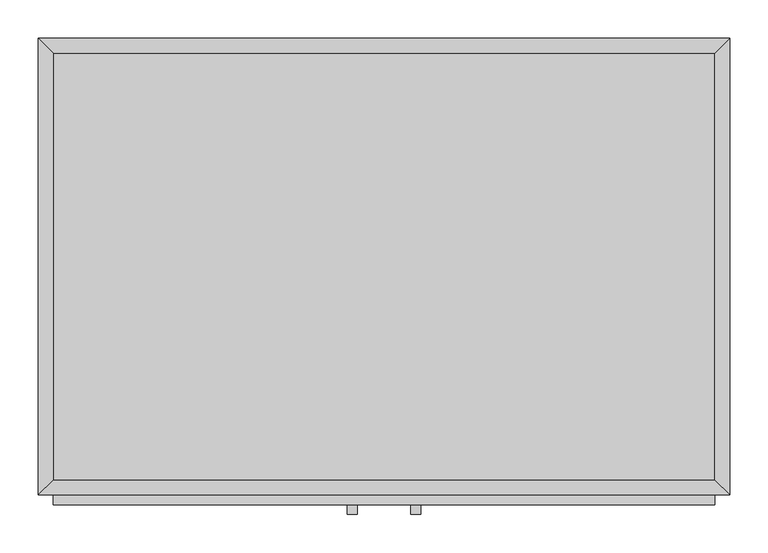
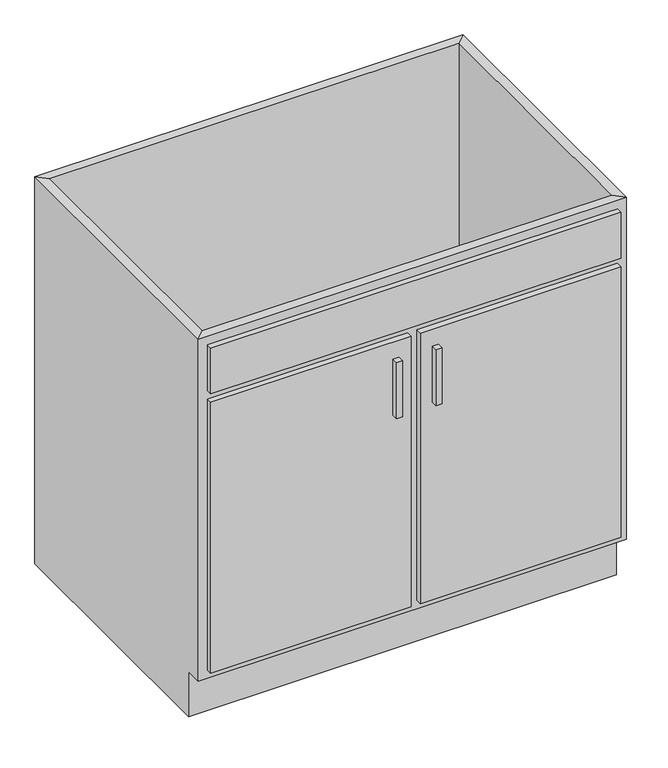
"""IFC4 building model written with IfcOpenShell, lengths in millimetres: furniture geometry."""

from ifc_helpers import new_model, si_unit, frame, origin, place, context, project, spatial, polyline, outline, extrude, faceted_brep, source, transform, mapped, element, save


def furniture_435127c4(model_context):
    return source(origin(), model_context, "Body", "SolidModel", [
        faceted_brep([(449.6877049, -575.95, 860.0), (449.6877049, -575.95, 100.0), (-412.2122951, -575.95, 100.0), (-412.2122951, -575.95, 860.0), (-431.2622951, -595.0, 860.0), (468.7377049, -595.0, 860.0), (-431.2622951, -595.0, 100.0), (468.7377049, -595.0, 100.0), (-412.2122951, -560.0, 100.0), (-412.2122951, -19.05, 100.0), (-412.2122951, -19.05, 860.0), (-431.2622951, 0.0, 860.0), (-431.2622951, 0.0, 0.0), (-431.2622951, -560.0, 0.0), (-431.2622951, -560.0, 100.0), (449.6877049, -19.05, 100.0), (449.6877049, -19.05, 860.0), (468.7377049, 0.0, 860.0), (468.7377049, 0.0, 0.0), (449.6877049, -560.0, 100.0), (468.7377049, -560.0, 100.0), (468.7377049, -560.0, 0.0)], [[[0, 1, 2, 3]], [[0, 3, 4, 5]], [[5, 4, 6, 7]], [[2, 1, 7, 6]], [[3, 2, 8, 9, 10]], [[4, 3, 10, 11]], [[6, 4, 11, 12, 13, 14]], [[2, 6, 14, 8]], [[10, 9, 15, 16]], [[11, 10, 16, 17]], [[12, 11, 17, 18]], [[1, 0, 16, 15, 19]], [[0, 5, 17, 16]], [[5, 7, 20, 21, 18, 17]], [[7, 1, 19, 20]], [[8, 19, 15, 9]], [[18, 21, 13, 12]], [[13, 21, 20, 19, 8, 14]]]),
        extrude(outline(polyline([(-16.1872951, -620.4), (-28.8872951, -620.4), (-28.8872951, -607.7), (-16.1872951, -607.7), (-16.1872951, -620.4)])), frame((0.0, 0.0, 557.469895), z_axis=(0.0, 0.0, 1.0), x_axis=(1.0, 0.0, 0.0)), (0.0, 0.0, 1.0), 124.730105),
        extrude(outline(polyline([(66.3627049, -620.4), (53.6627049, -620.4), (53.6627049, -607.7), (66.3627049, -607.7), (66.3627049, -620.4)])), frame((0.0, 0.0, 557.469895), z_axis=(0.0, 0.0, 1.0), x_axis=(1.0, 0.0, 0.0)), (0.0, 0.0, 1.0), 124.730105),
        extrude(outline(polyline([(9.2127049, -607.7), (-412.2122951, -607.7), (-412.2122951, -595.0), (9.2127049, -595.0), (9.2127049, -607.7)])), frame((0.0, 0.0, 119.05), z_axis=(0.0, 0.0, 1.0), x_axis=(1.0, 0.0, 0.0)), (0.0, 0.0, 1.0), 601.25),
        extrude(outline(polyline([(449.6877049, -607.7), (28.2627049, -607.7), (28.2627049, -595.0), (449.6877049, -595.0), (449.6877049, -607.7)])), frame((0.0, 0.0, 119.05), z_axis=(0.0, 0.0, 1.0), x_axis=(1.0, 0.0, 0.0)), (0.0, 0.0, 1.0), 601.25),
        extrude(outline(polyline([(449.6877049, -607.7), (-412.2122951, -607.7), (-412.2122951, -595.0), (449.6877049, -595.0), (449.6877049, -607.7)])), frame((0.0, 0.0, 739.35), z_axis=(0.0, 0.0, 1.0), x_axis=(1.0, 0.0, 0.0)), (0.0, 0.0, 1.0), 101.6),
        extrude(outline(polyline([(449.6877049, -19.05), (449.6877049, -575.95), (-412.2122951, -575.95), (-412.2122951, -19.05), (449.6877049, -19.05)])), frame((0.0, 0.0, 100.0), z_axis=(0.0, 0.0, 1.0), x_axis=(1.0, 0.0, 0.0)), (0.0, 0.0, 1.0), 19.05),
    ])


if __name__ == "__main__":
    model = new_model("IFC4")
    model_context = context("Model", 3, world=origin())
    ifc_project = project(units=[si_unit("LENGTHUNIT", "METRE", prefix="MILLI")], contexts=[model_context])
    site = spatial("IfcSite", under=ifc_project)
    building = spatial("IfcBuilding", under=site)
    placement = place(None, origin())
    furniture_shape = furniture_435127c4(model_context)
    element("IfcFurniture", 1, at=placement, inside=building, context=model_context, shape_type="MappedRepresentation", body=[
        mapped(furniture_shape, transform((0.0, 0.0, 0.0), x_axis=(1.0, 0.0, 0.0), y_axis=(0.0, 1.0, 0.0), z_axis=(0.0, 0.0, 1.0))),
    ])
    save(model, "model.ifc")
